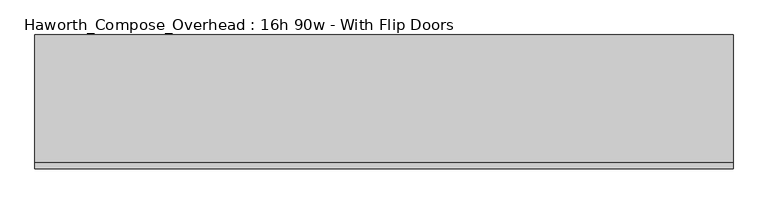
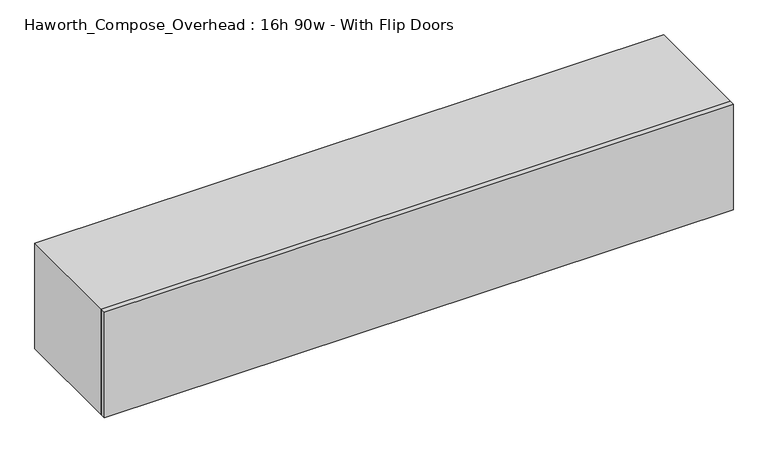
"""IFC4 building model written with IfcOpenShell, lengths in millimetres: furniture geometry, Haworth_Compose_Overhead : 16h 90w - With Flip Doors."""

from ifc_helpers import new_model, si_unit, frame, origin, place, context, project, spatial, polyline, outline, extrude, source, transform, mapped, element, save


def haworth_compose_overhead_16h_90w_with_flip_doors_675b67fb(model_context):
    return source(origin(), model_context, "Body", "SweptSolid", [
        extrude(outline(polyline([(1308.1, -438.15), (-977.9, -438.15), (-977.9, -419.1), (1308.1, -419.1), (1308.1, -438.15)])), frame((0.0, 0.0, 1270.0), z_axis=(0.0, 0.0, 1.0), x_axis=(1.0, 0.0, 0.0)), (0.0, 0.0, 1.0), 406.4),
        extrude(outline(polyline([(1282.7, -6.35), (-952.5, -6.35), (-952.5, 0.0), (1282.7, 0.0), (1282.7, -6.35)])), frame((0.0, 0.0, 1295.4), z_axis=(0.0, 0.0, 1.0), x_axis=(1.0, 0.0, 0.0)), (0.0, 0.0, 1.0), 355.6),
        extrude(outline(polyline([(1270.0, 1308.1), (1676.4, 1308.1), (1676.4, -977.9), (1270.0, -977.9), (1270.0, 1308.1)]), holes=[polyline([(1651.0, 1282.7), (1295.4, 1282.7), (1295.4, -952.5), (1651.0, -952.5), (1651.0, 1282.7)])]), frame((0.0, -419.1, 0.0), z_axis=(0.0, 1.0, 0.0), x_axis=(0.0, 0.0, 1.0)), (0.0, 0.0, 1.0), 419.1),
    ])


if __name__ == "__main__":
    model = new_model("IFC4")
    model_context = context("Model", 3, world=origin())
    ifc_project = project(units=[si_unit("LENGTHUNIT", "METRE", prefix="MILLI")], contexts=[model_context])
    site = spatial("IfcSite", under=ifc_project)
    building = spatial("IfcBuilding", under=site)
    placement = place(None, origin())
    haworth_compose_overhead_16h_90w_with_flip_doors_shape = haworth_compose_overhead_16h_90w_with_flip_doors_675b67fb(model_context)
    element("IfcFurniture", 1, ObjectType="Haworth_Compose_Overhead : 16h 90w - With Flip Doors", at=placement, inside=building, context=model_context, shape_type="MappedRepresentation", body=[
        mapped(haworth_compose_overhead_16h_90w_with_flip_doors_shape, transform((0.0, 0.0, 0.0), x_axis=(1.0, 0.0, 0.0), y_axis=(0.0, 1.0, 0.0), z_axis=(0.0, 0.0, 1.0))),
    ])
    save(model, "model.ifc")
